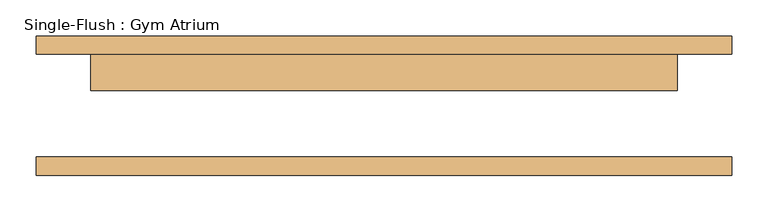
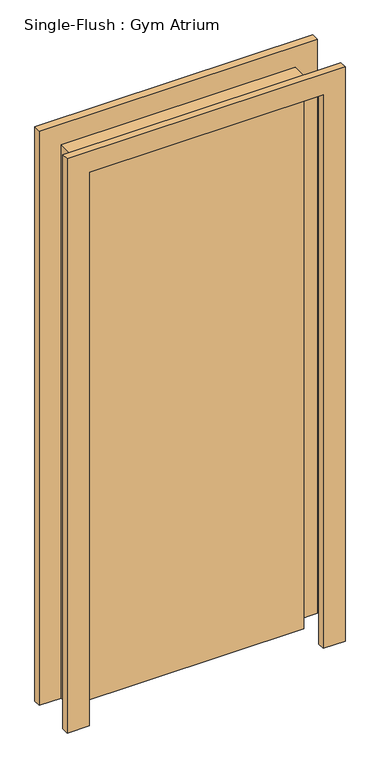
"""IFC4 building model written with IfcOpenShell, lengths in millimetres: door geometry, Single-Flush : Gym Atrium."""

from ifc_helpers import new_model, si_unit, frame, origin, origin_with_axes, place, context, project, spatial, polyline, outline, extrude, source, transform, mapped, element, save


def single_flush_gym_atrium_5b4a6990(model_context):
    return source(origin(), model_context, "Body", "SweptSolid", [
        extrude(outline(polyline([(2108.2, -482.6), (0.0, -482.6), (0.0, -406.4), (2032.0, -406.4), (2032.0, 406.4), (0.0, 406.4), (0.0, 482.6), (2108.2, 482.6), (2108.2, -482.6)])), frame((0.0, 71.4375, 0.0), z_axis=(0.0, 1.0, 0.0), x_axis=(0.0, 0.0, 1.0)), (0.0, 0.0, 1.0), 25.4),
        extrude(outline(polyline([(2108.2, 482.6), (2108.2, -482.6), (0.0, -482.6), (0.0, -406.4), (2032.0, -406.4), (2032.0, 406.4), (0.0, 406.4), (0.0, 482.6), (2108.2, 482.6)])), frame((0.0, -96.8375, 0.0), z_axis=(0.0, 1.0, 0.0), x_axis=(0.0, 0.0, 1.0)), (0.0, 0.0, 1.0), 25.4),
        extrude(outline(polyline([(406.4, 20.6375), (-406.4, 20.6375), (-406.4, 71.4375), (406.4, 71.4375), (406.4, 20.6375)])), origin_with_axes(), (0.0, 0.0, 1.0), 2032.0),
    ])


if __name__ == "__main__":
    model = new_model("IFC4")
    model_context = context("Model", 3, world=origin())
    ifc_project = project(units=[si_unit("LENGTHUNIT", "METRE", prefix="MILLI")], contexts=[model_context])
    site = spatial("IfcSite", under=ifc_project)
    building = spatial("IfcBuilding", under=site)
    placement = place(None, origin())
    single_flush_gym_atrium_shape = single_flush_gym_atrium_5b4a6990(model_context)
    element("IfcDoor", 1, ObjectType="Single-Flush : Gym Atrium", at=placement, inside=building, context=model_context, shape_type="MappedRepresentation", body=[
        mapped(single_flush_gym_atrium_shape, transform((0.0, 0.0, 0.0), x_axis=(1.0, 0.0, 0.0), y_axis=(0.0, 1.0, 0.0), z_axis=(0.0, 0.0, 1.0))),
    ])
    save(model, "model.ifc")
